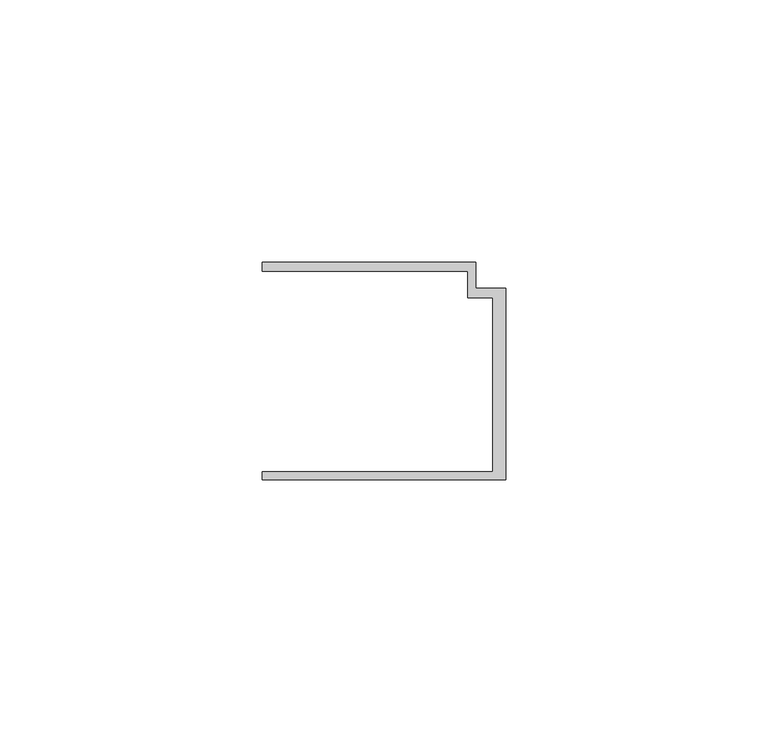
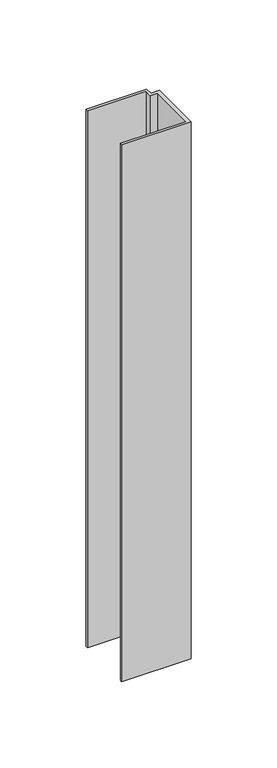
"""IFC4 building model written with IfcOpenShell, lengths in millimetres: member geometry."""

from ifc_helpers import new_model, si_unit, frame, origin, place, context, project, spatial, polyline, outline, extrude, source, transform, mapped, element, save


def member_033b08e4(model_context):
    return source(origin(), model_context, "Body", "SweptSolid", [
        extrude(outline(polyline([(-46.3, -19.2), (-2.4, -19.2), (-2.4, 14.0), (-7.2, 14.0), (-7.2, 19.0), (-46.3, 19.0), (-46.3, 20.7), (-5.6999992, 20.7), (-5.6999992, 15.8), (0.0, 15.8), (0.0, -20.7), (-46.3, -20.7), (-46.3, -19.2)])), frame((0.0, 0.0, -380.2443563), z_axis=(0.0, 0.0, 1.0), x_axis=(1.0, 0.0, 0.0)), (0.0, 0.0, 1.0), 380.2443563),
    ])


if __name__ == "__main__":
    model = new_model("IFC4")
    model_context = context("Model", 3, world=origin())
    ifc_project = project(units=[si_unit("LENGTHUNIT", "METRE", prefix="MILLI")], contexts=[model_context])
    site = spatial("IfcSite", under=ifc_project)
    building = spatial("IfcBuilding", under=site)
    placement = place(None, origin())
    member_shape = member_033b08e4(model_context)
    element("IfcMember", 1, at=placement, inside=building, context=model_context, shape_type="MappedRepresentation", body=[
        mapped(member_shape, transform((0.0, 0.0, 0.0), x_axis=(1.0, 0.0, 0.0), y_axis=(0.0, 1.0, 0.0), z_axis=(0.0, 0.0, 1.0))),
    ])
    save(model, "model.ifc")
